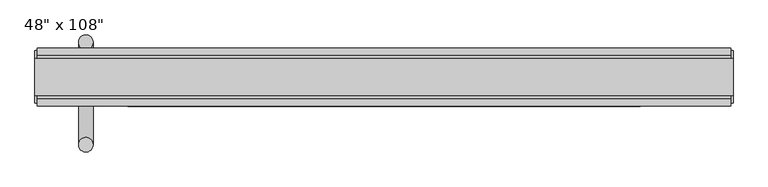
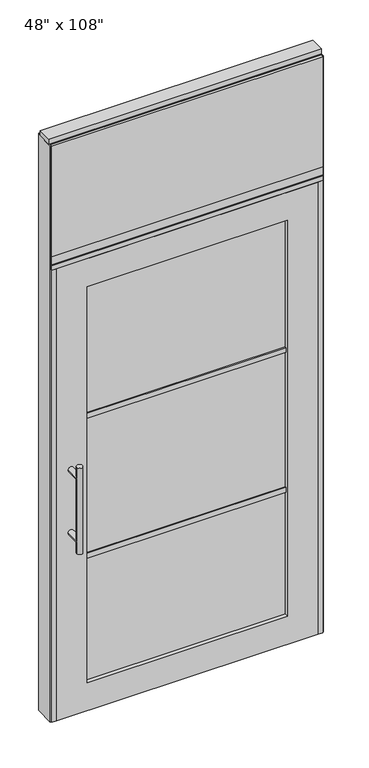
"""IFC4 building model written with IfcOpenShell, lengths in millimetres: furniture geometry."""

from ifc_helpers import new_model, si_unit, frame, origin, origin_with_axes, place, context, project, spatial, polyline, circle_curve, ellipse_curve, outline, extrude, source, transform, mapped, element, save
from ifc_brep_helpers import plane_surface, cylinder_surface, advanced_brep


def furniture_e26074a3(model_context):
    return source(origin(), model_context, "Body", "SolidModel", [
        extrude(outline(polyline([(545.6264771, -55.3177216), (-665.6995229, -55.3177216), (-665.6995229, -42.6177216), (545.6264771, -42.6177216), (545.6264771, -55.3177216)])), frame((0.0, 0.0, 2197.1), z_axis=(0.0, 0.0, 1.0), x_axis=(1.0, 0.0, 0.0)), (0.0, 0.0, 1.0), 520.7),
        extrude(outline(polyline([(545.6264771, 46.2822784), (545.6264771, 33.5822784), (-665.6995229, 33.5822784), (-665.6995229, 46.2822784), (545.6264771, 46.2822784)])), frame((0.0, 0.0, 2197.1), z_axis=(0.0, 0.0, 1.0), x_axis=(1.0, 0.0, 0.0)), (0.0, 0.0, 1.0), 520.7),
        advanced_brep(
        [(-593.4365229, 56.6962784, 1219.2), (-568.0365229, 56.6962784, 1219.2), (-593.4365229, 56.6962784, 812.8), (-568.0365229, 56.6962784, 812.8), (-568.0365229, 56.6962784, 1164.336), (-568.0365229, 56.6962784, 867.664), (-593.4365229, 56.6962784, 867.664), (-593.4365229, 56.6962784, 1164.336), (-593.4365229, -10.8677216, 1164.336), (-568.0365229, -10.8677216, 1164.336), (-593.4365229, -10.8677216, 867.664), (-568.0365229, -10.8677216, 867.664)],
        [
            (0, 1, circle_curve(frame((-580.7365229, 56.6962784, 1219.2), z_axis=(0.0, 0.0, 1.0), x_axis=(1.0, 0.0, 0.0)), 12.7)),
            (1, 0, circle_curve(frame((-580.7365229, 56.6962784, 1219.2), z_axis=(0.0, 0.0, 1.0), x_axis=(1.0, 0.0, 0.0)), 12.7)),
            (2, 3, circle_curve(frame((-580.7365229, 56.6962784, 812.8), z_axis=(0.0, 0.0, -1.0), x_axis=(1.0, 0.0, 0.0)), 12.7)),
            (3, 2, circle_curve(frame((-580.7365229, 56.6962784, 812.8), z_axis=(0.0, 0.0, -1.0), x_axis=(1.0, 0.0, 0.0)), 12.7)),
            (1, 4),
            (4, 5),
            (5, 3),
            (2, 6),
            (6, 7),
            (7, 0),
            (6, 5, ellipse_curve(frame((-580.7365229, 56.6962784, 867.664), z_axis=(0.0, 0.707106781186565, 0.70710678118653), x_axis=(0.0, -0.70710678118653, 0.707106781186565)), 17.9605122, 12.7)),
            (4, 7, ellipse_curve(frame((-580.7365229, 56.6962784, 1164.336), z_axis=(0.0, 0.70710678118653, -0.7071067811865649), x_axis=(0.0, 0.7071067811865648, 0.7071067811865301)), 17.9605122, 12.7)),
            (7, 4, ellipse_curve(frame((-580.7365229, 56.6962784, 1164.336), z_axis=(0.0, 0.707106781186565, 0.70710678118653), x_axis=(0.0, -0.70710678118653, 0.707106781186565)), 17.9605122, 12.7)),
            (5, 6, ellipse_curve(frame((-580.7365229, 56.6962784, 867.664), z_axis=(0.0, 0.70710678118653, -0.7071067811865649), x_axis=(0.0, 0.7071067811865648, 0.7071067811865301)), 17.9605122, 12.7)),
            (8, 9, circle_curve(frame((-580.7365229, -10.8677216, 1164.336), z_axis=(0.0, -1.0, 0.0), x_axis=(1.0, 0.0, 0.0)), 12.7)),
            (9, 8, circle_curve(frame((-580.7365229, -10.8677216, 1164.336), z_axis=(0.0, -1.0, 0.0), x_axis=(1.0, 0.0, 0.0)), 12.7)),
            (8, 7),
            (4, 9),
            (10, 11, circle_curve(frame((-580.7365229, -10.8677216, 867.664), z_axis=(0.0, -1.0, 0.0), x_axis=(1.0, 0.0, 0.0)), 12.7)),
            (11, 10, circle_curve(frame((-580.7365229, -10.8677216, 867.664), z_axis=(0.0, -1.0, 0.0), x_axis=(1.0, 0.0, 0.0)), 12.7)),
            (10, 6),
            (5, 11),
        ],
        [
            plane_surface(frame((-568.0365229, 56.6962784, 1219.2), z_axis=(0.0, 0.0, 1.0), x_axis=(0.0, -1.0, 0.0))),
            plane_surface(frame((-568.0365229, 56.6962784, 812.8), z_axis=(0.0, 0.0, -1.0), x_axis=(0.0, 1.0, 0.0))),
            cylinder_surface(frame((-580.7365229, 56.6962784, 812.8), z_axis=(0.0, 0.0, 1.0), x_axis=(1.0, 0.0, 0.0)), 12.7),
            plane_surface(frame((-568.0365229, -10.8677216, 1164.336), z_axis=(0.0, -1.0, 0.0), x_axis=(0.0, 0.0, -1.0))),
            cylinder_surface(frame((-580.7365229, -10.8677216, 1164.336), z_axis=(0.0, 1.0, 0.0), x_axis=(1.0, 0.0, 0.0)), 12.7),
            plane_surface(frame((-568.0365229, -10.8677216, 867.664), z_axis=(0.0, -1.0, 0.0), x_axis=(0.0, 0.0, -1.0))),
            cylinder_surface(frame((-580.7365229, -10.8677216, 867.664), z_axis=(0.0, 1.0, 0.0), x_axis=(1.0, 0.0, 0.0)), 12.7),
        ],
        [
            (0, [[1, 2]]),
            (1, [[3, 4]]),
            (2, [[5, 6, 7, -3, 8, 9, 10, -2]]),
            (2, [[-9, 11, -6, 12]]),
            (2, [[-10, 13, -5, -1]]),
            (2, [[-7, 14, -8, -4]]),
            (3, [[15, 16]]),
            (4, [[17, -12, 18, -15]]),
            (4, [[-18, -13, -17, -16]]),
            (5, [[19, 20]]),
            (6, [[21, -14, 22, -19]]),
            (6, [[-22, -11, -21, -20]]),
        ],
    ),
        advanced_brep(
        [(-593.4365229, -122.8817216, 1219.2), (-568.0365229, -122.8817216, 1219.2), (-593.4365229, -122.8817216, 812.8), (-568.0365229, -122.8817216, 812.8), (-593.4365229, -122.8817216, 1164.336), (-593.4365229, -122.8817216, 867.664), (-568.0365229, -122.8817216, 867.664), (-568.0365229, -122.8817216, 1164.336), (-593.4365229, -55.3177216, 1164.336), (-568.0365229, -55.3177216, 1164.336), (-593.4365229, -55.3177216, 867.664), (-568.0365229, -55.3177216, 867.664)],
        [
            (0, 1, circle_curve(frame((-580.7365229, -122.8817216, 1219.2), z_axis=(0.0, 0.0, 1.0), x_axis=(1.0, 0.0, 0.0)), 12.7)),
            (1, 0, circle_curve(frame((-580.7365229, -122.8817216, 1219.2), z_axis=(0.0, 0.0, 1.0), x_axis=(1.0, 0.0, 0.0)), 12.7)),
            (2, 3, circle_curve(frame((-580.7365229, -122.8817216, 812.8), z_axis=(0.0, 0.0, -1.0), x_axis=(1.0, 0.0, 0.0)), 12.7)),
            (3, 2, circle_curve(frame((-580.7365229, -122.8817216, 812.8), z_axis=(0.0, 0.0, -1.0), x_axis=(1.0, 0.0, 0.0)), 12.7)),
            (0, 4),
            (4, 5),
            (5, 2),
            (3, 6),
            (6, 7),
            (7, 1),
            (7, 4, ellipse_curve(frame((-580.7365229, -122.8817216, 1164.336), z_axis=(0.0, -0.707106781186565, 0.70710678118653), x_axis=(0.0, 0.70710678118653, 0.707106781186565)), 17.9605122, 12.7)),
            (5, 6, ellipse_curve(frame((-580.7365229, -122.8817216, 867.664), z_axis=(0.0, -0.70710678118653, -0.7071067811865649), x_axis=(0.0, -0.7071067811865648, 0.7071067811865301)), 17.9605122, 12.7)),
            (4, 7, ellipse_curve(frame((-580.7365229, -122.8817216, 1164.336), z_axis=(0.0, -0.70710678118653, -0.7071067811865649), x_axis=(0.0, -0.7071067811865648, 0.7071067811865301)), 17.9605122, 12.7)),
            (6, 5, ellipse_curve(frame((-580.7365229, -122.8817216, 867.664), z_axis=(0.0, -0.707106781186565, 0.70710678118653), x_axis=(0.0, 0.70710678118653, 0.707106781186565)), 17.9605122, 12.7)),
            (8, 9, circle_curve(frame((-580.7365229, -55.3177216, 1164.336), z_axis=(0.0, 1.0, 0.0), x_axis=(1.0, 0.0, 0.0)), 12.7)),
            (9, 8, circle_curve(frame((-580.7365229, -55.3177216, 1164.336), z_axis=(0.0, 1.0, 0.0), x_axis=(1.0, 0.0, 0.0)), 12.7)),
            (9, 7),
            (4, 8),
            (10, 11, circle_curve(frame((-580.7365229, -55.3177216, 867.664), z_axis=(0.0, 1.0, 0.0), x_axis=(1.0, 0.0, 0.0)), 12.7)),
            (11, 10, circle_curve(frame((-580.7365229, -55.3177216, 867.664), z_axis=(0.0, 1.0, 0.0), x_axis=(1.0, 0.0, 0.0)), 12.7)),
            (11, 6),
            (5, 10),
        ],
        [
            plane_surface(frame((-568.0365229, -122.8817216, 1219.2), z_axis=(0.0, 0.0, 1.0), x_axis=(0.0, 1.0, 0.0))),
            plane_surface(frame((-568.0365229, -122.8817216, 812.8), z_axis=(0.0, 0.0, -1.0), x_axis=(0.0, -1.0, 0.0))),
            cylinder_surface(frame((-580.7365229, -122.8817216, 812.8), z_axis=(0.0, 0.0, 1.0), x_axis=(1.0, 0.0, 0.0)), 12.7),
            plane_surface(frame((-568.0365229, -55.3177216, 1164.336), z_axis=(0.0, 1.0, 0.0), x_axis=(0.0, 0.0, -1.0))),
            cylinder_surface(frame((-580.7365229, -55.3177216, 1164.336), z_axis=(0.0, -1.0, 0.0), x_axis=(1.0, 0.0, 0.0)), 12.7),
            plane_surface(frame((-568.0365229, -55.3177216, 867.664), z_axis=(0.0, 1.0, 0.0), x_axis=(0.0, 0.0, -1.0))),
            cylinder_surface(frame((-580.7365229, -55.3177216, 867.664), z_axis=(0.0, -1.0, 0.0), x_axis=(1.0, 0.0, 0.0)), 12.7),
        ],
        [
            (0, [[1, 2]]),
            (1, [[3, 4]]),
            (2, [[-1, 5, 6, 7, -4, 8, 9, 10]]),
            (2, [[-2, -10, 11, -5]]),
            (2, [[-3, -7, 12, -8]]),
            (2, [[13, -9, 14, -6]]),
            (3, [[15, 16]]),
            (4, [[-16, 17, -13, 18]]),
            (4, [[-15, -18, -11, -17]]),
            (5, [[19, 20]]),
            (6, [[-20, 21, -12, 22]]),
            (6, [[-19, -22, -14, -21]]),
        ],
    ),
        extrude(outline(polyline([(-507.4575229, -44.2052216), (-507.4575229, -21.9802216), (387.3844771, -21.9802216), (387.3844771, -44.2052216), (-507.4575229, -44.2052216)])), frame((0.0, 0.0, 1371.6), z_axis=(0.0, 0.0, 1.0), x_axis=(1.0, 0.0, 0.0)), (0.0, 0.0, 1.0), 22.225),
        extrude(outline(polyline([(-507.4575229, -44.2052216), (-507.4575229, -21.9802216), (387.3844771, -21.9802216), (387.3844771, -44.2052216), (-507.4575229, -44.2052216)])), frame((0.0, 0.0, 711.2), z_axis=(0.0, 0.0, 1.0), x_axis=(1.0, 0.0, 0.0)), (0.0, 0.0, 1.0), 22.225),
        extrude(outline(polyline([(387.3844771, -38.1727216), (-507.4575229, -38.1727216), (-507.4575229, -28.0127216), (387.3844771, -28.0127216), (387.3844771, -38.1727216)])), frame((0.0, 0.0, 132.969), z_axis=(0.0, 0.0, 1.0), x_axis=(1.0, 0.0, 0.0)), (0.0, 0.0, 1.0), 1867.662),
        extrude(outline(polyline([(2133.6, 523.4014771), (2133.6, -643.4745229), (0.0, -643.4745229), (0.0, 523.4014771), (2133.6, 523.4014771)]), holes=[polyline([(2000.631, 387.3844771), (132.969, 387.3844771), (132.969, -507.4575229), (2000.631, -507.4575229), (2000.631, 387.3844771)])]), frame((0.0, -55.3177216, 0.0), z_axis=(0.0, 1.0, 0.0), x_axis=(0.0, 0.0, 1.0)), (0.0, 0.0, 1.0), 44.45),
        extrude(outline(polyline([(-42.6177216, 2681.478), (-42.6177216, 2717.8), (33.5822784, 2717.8), (33.5822784, 2681.478), (28.6292784, 2681.478), (28.6292784, 2676.525), (-37.6647216, 2676.525), (-37.6647216, 2681.478), (-42.6177216, 2681.478)])), frame((-665.6995229, 0.0, 0.0), z_axis=(1.0, 0.0, 0.0), x_axis=(0.0, 1.0, 0.0)), (0.0, 0.0, 1.0), 1211.326),
        extrude(outline(polyline([(-665.6995229, -55.3177216), (-665.6995229, 46.2822784), (545.6264771, 46.2822784), (545.6264771, -55.3177216), (-665.6995229, -55.3177216)])), frame((0.0, 0.0, 2133.6), z_axis=(0.0, 0.0, 1.0), x_axis=(1.0, 0.0, 0.0)), (0.0, 0.0, 1.0), 22.225),
        extrude(outline(polyline([(-55.3177216, 2160.778), (-55.3177216, 2197.1), (46.2822784, 2197.1), (46.2822784, 2160.778), (41.3292784, 2160.778), (41.3292784, 2155.825), (-50.3647216, 2155.825), (-50.3647216, 2160.778), (-55.3177216, 2160.778)])), frame((-665.6995229, 0.0, 0.0), z_axis=(1.0, 0.0, 0.0), x_axis=(0.0, 1.0, 0.0)), (0.0, 0.0, 1.0), 1211.326),
        extrude(outline(polyline([(549.5634771, -50.3647216), (545.6264771, -50.3647216), (545.6264771, 41.3292784), (549.5634771, 41.3292784), (549.5634771, -50.3647216)])), origin_with_axes(), (0.0, 0.0, 1.0), 2717.8),
        extrude(outline(polyline([(-669.6365229, -50.3647216), (-669.6365229, 41.3292784), (-665.6995229, 41.3292784), (-665.6995229, -50.3647216), (-669.6365229, -50.3647216)])), origin_with_axes(), (0.0, 0.0, 1.0), 2717.8),
        extrude(outline(polyline([(523.4014771, -55.3177216), (523.4014771, 46.2822784), (545.6264771, 46.2822784), (545.6264771, -55.3177216), (523.4014771, -55.3177216)])), origin_with_axes(), (0.0, 0.0, 1.0), 2133.6),
        extrude(outline(polyline([(-643.4745229, -55.3177216), (-665.6995229, -55.3177216), (-665.6995229, 46.2822784), (-643.4745229, 46.2822784), (-643.4745229, -55.3177216)])), origin_with_axes(), (0.0, 0.0, 1.0), 2133.6),
        extrude(outline(polyline([(-669.6365229, -37.0297216), (-669.6365229, 27.9942784), (549.5634771, 27.9942784), (549.5634771, -37.0297216), (-669.6365229, -37.0297216)])), frame((0.0, 0.0, 2717.8), z_axis=(0.0, 0.0, 1.0), x_axis=(1.0, 0.0, 0.0)), (0.0, 0.0, 1.0), 25.4),
    ])


if __name__ == "__main__":
    model = new_model("IFC4")
    model_context = context("Model", 3, world=origin())
    ifc_project = project(units=[si_unit("LENGTHUNIT", "METRE", prefix="MILLI")], contexts=[model_context])
    site = spatial("IfcSite", under=ifc_project)
    building = spatial("IfcBuilding", under=site)
    placement = place(None, origin())
    furniture_shape = furniture_e26074a3(model_context)
    element("IfcFurniture", 1, ObjectType="48\" x 108\"", at=placement, inside=building, context=model_context, shape_type="MappedRepresentation", body=[
        mapped(furniture_shape, transform((0.0, 0.0, 0.0), x_axis=(1.0, 0.0, 0.0), y_axis=(0.0, 1.0, 0.0), z_axis=(0.0, 0.0, 1.0))),
    ])
    save(model, "model.ifc")
